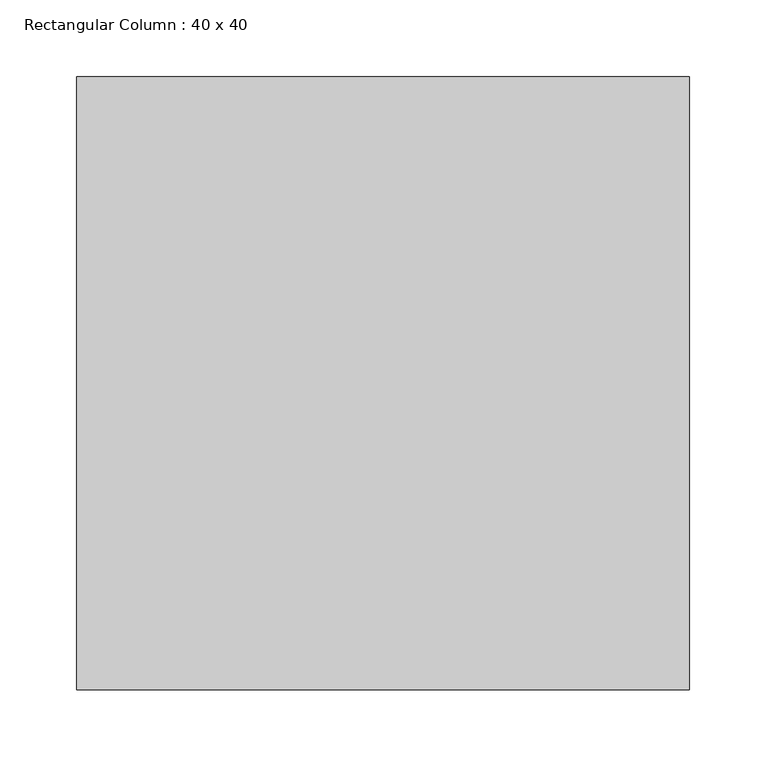
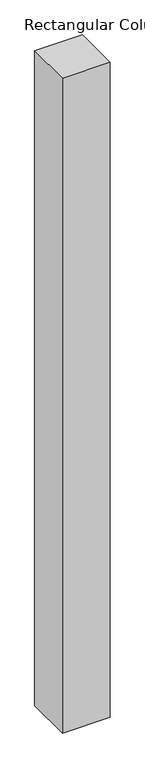
"""IFC4 building model written with IfcOpenShell, lengths in millimetres: column geometry, Rectangular Column : 40 x 40."""

from ifc_helpers import new_model, si_unit, origin, origin_with_axes, place, context, project, spatial, polyline, outline, extrude, source, transform, mapped, element, save


def rectangular_column_40_x_40_c800b7c3(model_context):
    return source(origin(), model_context, "Body", "SweptSolid", [
        extrude(outline(polyline([(200.0, 200.0), (200.0, -200.0), (-200.0, -200.0), (-200.0, 200.0), (200.0, 200.0)])), origin_with_axes(), (0.0, 0.0, 1.0), 5790.0),
    ])


if __name__ == "__main__":
    model = new_model("IFC4")
    model_context = context("Model", 3, world=origin())
    ifc_project = project(units=[si_unit("LENGTHUNIT", "METRE", prefix="MILLI")], contexts=[model_context])
    site = spatial("IfcSite", under=ifc_project)
    building = spatial("IfcBuilding", under=site)
    placement = place(None, origin())
    rectangular_column_40_x_40_shape = rectangular_column_40_x_40_c800b7c3(model_context)
    element("IfcColumn", 1, ObjectType="Rectangular Column : 40 x 40", at=placement, inside=building, context=model_context, shape_type="MappedRepresentation", body=[
        mapped(rectangular_column_40_x_40_shape, transform((0.0, 0.0, 0.0), x_axis=(1.0, 0.0, 0.0), y_axis=(0.0, 1.0, 0.0), z_axis=(0.0, 0.0, 1.0))),
    ])
    save(model, "model.ifc")
